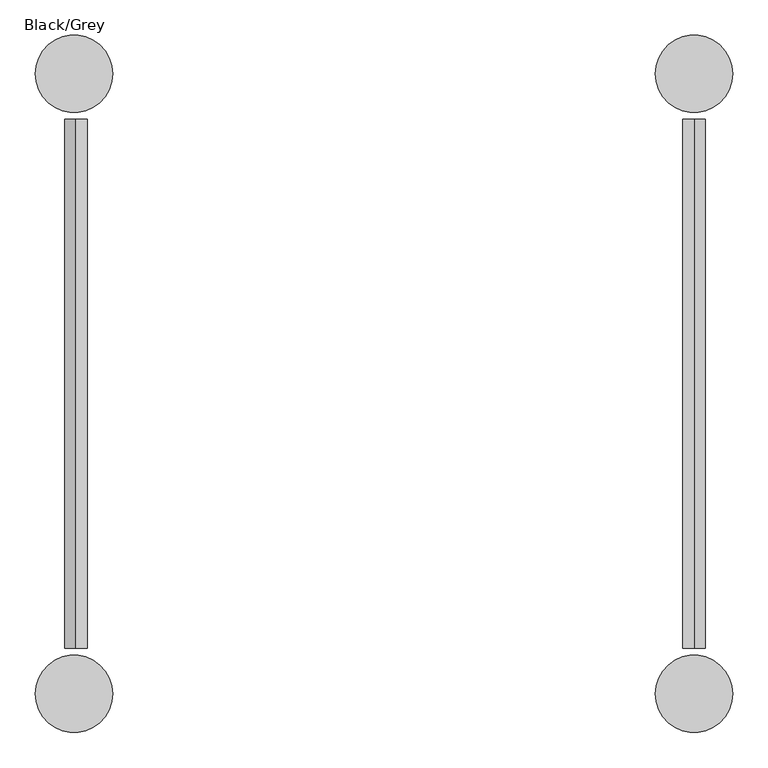
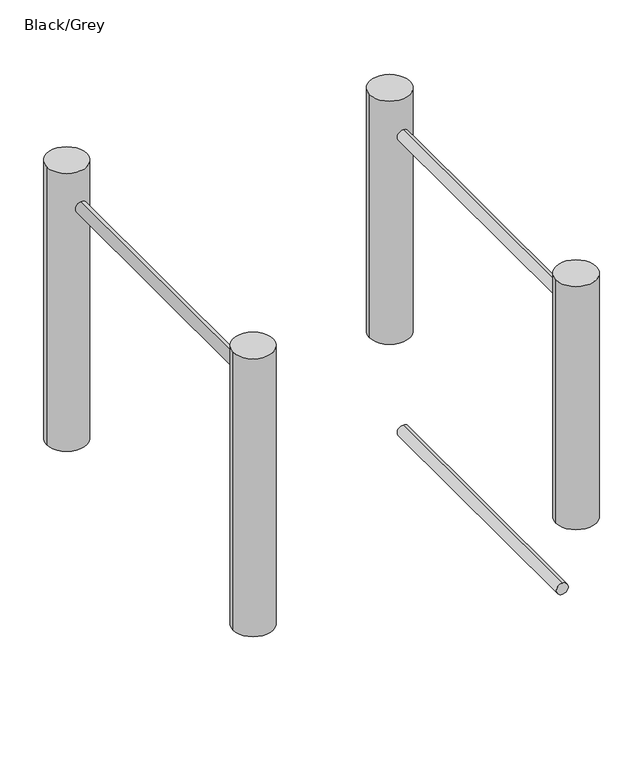
"""IFC4 building model written with IfcOpenShell, lengths in millimetres: furniture geometry, Black/Grey."""

from ifc_helpers import new_model, si_unit, point, frame, frame_2d, origin, place, context, project, spatial, circle_curve, trimmed, segment, composite_curve, outline, extrude, source, transform, mapped, element, save


def black_grey_4411834b(model_context):
    return source(origin(), model_context, "Body", "SweptSolid", [
        extrude(outline(composite_curve([segment(trimmed(circle_curve(frame_2d((603.0593168, -281.3518025)), 16.0), [point((619.0593168, -281.3518025))], [point((587.0593168, -281.3518025))], False, "CARTESIAN"), True, "CONTINUOUS"), segment(trimmed(circle_curve(frame_2d((603.0593168, -281.3518025)), 16.0), [point((587.0593168, -281.3518025))], [point((619.0593168, -281.3518025))], False, "CARTESIAN"), True, "CONTINUOUS")], self_intersect=False)), frame((0.0, 1669.751827, 0.0), z_axis=(0.0, 1.0, 0.0), x_axis=(0.0, 0.0, 1.0)), (0.0, 0.0, 1.0), 750.5570452),
        extrude(outline(composite_curve([segment(trimmed(circle_curve(frame_2d((-347.540678, 595.9878213)), 16.0), [point((-331.540678, 595.9878213))], [point((-363.540678, 595.9878213))], False, "CARTESIAN"), True, "CONTINUOUS"), segment(trimmed(circle_curve(frame_2d((-347.540678, 595.9878213)), 16.0), [point((-363.540678, 595.9878213))], [point((-331.540678, 595.9878213))], False, "CARTESIAN"), True, "CONTINUOUS")], self_intersect=False)), frame((0.0, 1669.751827, 0.0), z_axis=(0.0, 1.0, 0.0), x_axis=(0.0, 0.0, 1.0)), (0.0, 0.0, 1.0), 750.5570452),
        extrude(outline(composite_curve([segment(trimmed(circle_curve(frame_2d((596.0, 1605.0)), 55.0), [point((541.0, 1605.0))], [point((651.0, 1605.0))], False, "CARTESIAN"), True, "CONTINUOUS"), segment(trimmed(circle_curve(frame_2d((596.0, 1605.0)), 55.0), [point((651.0, 1605.0))], [point((541.0, 1605.0))], False, "CARTESIAN"), True, "CONTINUOUS")], self_intersect=False)), frame((0.0, 0.0, -100.0), z_axis=(0.0, 0.0, 1.0), x_axis=(1.0, 0.0, 0.0)), (0.0, 0.0, 1.0), 700.0),
        extrude(outline(composite_curve([segment(trimmed(circle_curve(frame_2d((-284.0, 1605.0)), 55.0), [point((-339.0, 1605.0))], [point((-229.0, 1605.0))], False, "CARTESIAN"), True, "CONTINUOUS"), segment(trimmed(circle_curve(frame_2d((-284.0, 1605.0)), 55.0), [point((-229.0, 1605.0))], [point((-339.0, 1605.0))], False, "CARTESIAN"), True, "CONTINUOUS")], self_intersect=False)), frame((0.0, 0.0, -100.0), z_axis=(0.0, 0.0, 1.0), x_axis=(1.0, 0.0, 0.0)), (0.0, 0.0, 1.0), 800.0),
        extrude(outline(composite_curve([segment(trimmed(circle_curve(frame_2d((596.0, 2485.0)), 55.0), [point((541.0, 2485.0))], [point((651.0, 2485.0))], False, "CARTESIAN"), True, "CONTINUOUS"), segment(trimmed(circle_curve(frame_2d((596.0, 2485.0)), 55.0), [point((651.0, 2485.0))], [point((541.0, 2485.0))], False, "CARTESIAN"), True, "CONTINUOUS")], self_intersect=False)), frame((0.0, 0.0, -100.0), z_axis=(0.0, 0.0, 1.0), x_axis=(1.0, 0.0, 0.0)), (0.0, 0.0, 1.0), 700.0),
        extrude(outline(composite_curve([segment(trimmed(circle_curve(frame_2d((-284.0, 2485.0)), 55.0), [point((-339.0, 2485.0))], [point((-229.0, 2485.0))], False, "CARTESIAN"), True, "CONTINUOUS"), segment(trimmed(circle_curve(frame_2d((-284.0, 2485.0)), 55.0), [point((-229.0, 2485.0))], [point((-339.0, 2485.0))], False, "CARTESIAN"), True, "CONTINUOUS")], self_intersect=False)), frame((0.0, 0.0, -100.0), z_axis=(0.0, 0.0, 1.0), x_axis=(1.0, 0.0, 0.0)), (0.0, 0.0, 1.0), 800.0),
        extrude(outline(composite_curve([segment(trimmed(circle_curve(frame_2d((502.459322, 595.9878213)), 16.0), [point((518.459322, 595.9878213))], [point((486.459322, 595.9878213))], False, "CARTESIAN"), True, "CONTINUOUS"), segment(trimmed(circle_curve(frame_2d((502.459322, 595.9878213)), 16.0), [point((486.459322, 595.9878213))], [point((518.459322, 595.9878213))], False, "CARTESIAN"), True, "CONTINUOUS")], self_intersect=False)), frame((0.0, 1669.751827, 0.0), z_axis=(0.0, 1.0, 0.0), x_axis=(0.0, 0.0, 1.0)), (0.0, 0.0, 1.0), 750.5570452),
    ])


if __name__ == "__main__":
    model = new_model("IFC4")
    model_context = context("Model", 3, world=origin())
    ifc_project = project(units=[si_unit("LENGTHUNIT", "METRE", prefix="MILLI")], contexts=[model_context])
    site = spatial("IfcSite", under=ifc_project)
    building = spatial("IfcBuilding", under=site)
    placement = place(None, origin())
    black_grey_shape = black_grey_4411834b(model_context)
    element("IfcFurniture", 1, ObjectType="Black/Grey", at=placement, inside=building, context=model_context, shape_type="MappedRepresentation", body=[
        mapped(black_grey_shape, transform((0.0, 0.0, 0.0), x_axis=(1.0, 0.0, 0.0), y_axis=(0.0, 1.0, 0.0), z_axis=(0.0, 0.0, 1.0))),
    ])
    save(model, "model.ifc")
